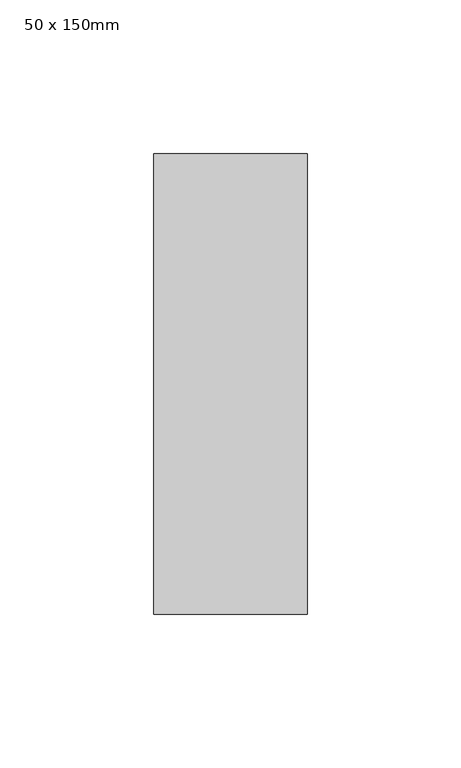
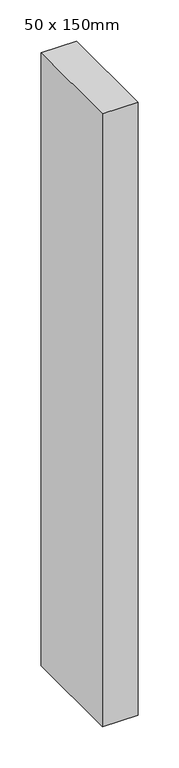
"""IFC4 building model written with IfcOpenShell, lengths in millimetres: member geometry, 50 x 150mm."""

from ifc_helpers import new_model, si_unit, frame, origin, place, context, project, spatial, polyline, outline, extrude, source, transform, mapped, element, save


def member_50_x_150mm_06381769(model_context):
    return source(origin(), model_context, "Body", "SweptSolid", [
        extrude(outline(polyline([(0.0, 75.0), (0.0, -75.0), (-50.0, -75.0), (-50.0, 75.0), (0.0, 75.0)])), frame((0.0, 0.0, -911.5669052), z_axis=(0.0, 0.0, 1.0), x_axis=(1.0, 0.0, 0.0)), (0.0, 0.0, 1.0), 911.5669052),
    ])


if __name__ == "__main__":
    model = new_model("IFC4")
    model_context = context("Model", 3, world=origin())
    ifc_project = project(units=[si_unit("LENGTHUNIT", "METRE", prefix="MILLI")], contexts=[model_context])
    site = spatial("IfcSite", under=ifc_project)
    building = spatial("IfcBuilding", under=site)
    placement = place(None, origin())
    member_50_x_150mm_shape = member_50_x_150mm_06381769(model_context)
    element("IfcMember", 1, ObjectType="50 x 150mm", at=placement, inside=building, context=model_context, shape_type="MappedRepresentation", body=[
        mapped(member_50_x_150mm_shape, transform((0.0, 0.0, 0.0), x_axis=(1.0, 0.0, 0.0), y_axis=(0.0, 1.0, 0.0), z_axis=(0.0, 0.0, 1.0))),
    ])
    save(model, "model.ifc")
